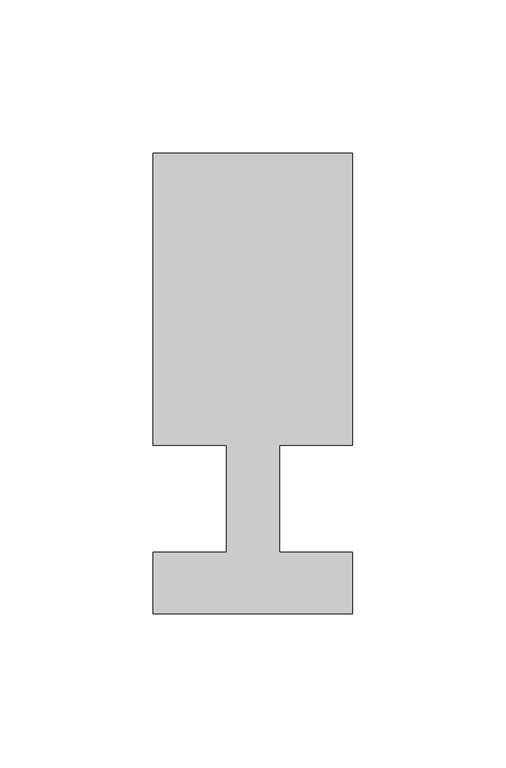
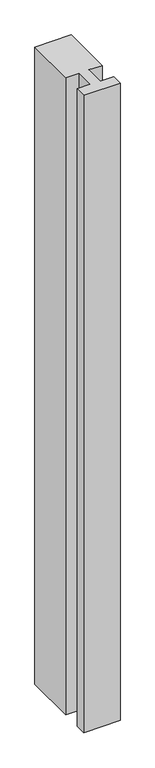
"""IFC4 building model written with IfcOpenShell, lengths in millimetres: member geometry."""

from ifc_helpers import new_model, si_unit, frame, origin, place, context, project, spatial, polyline, outline, extrude, source, transform, mapped, element, save


def member_7a5d141a(model_context):
    return source(origin(), model_context, "Body", "SweptSolid", [
        extrude(outline(polyline([(0.0, -37.0), (-65.0, -37.0), (-65.0, -17.0), (-41.1875, -17.0), (-41.1875, 18.0), (-65.0, 18.0), (-65.0, 113.0), (0.0, 113.0), (0.0, 18.0), (-23.8125, 18.0), (-23.8125, -17.0), (0.0, -17.0), (0.0, -37.0)])), frame((0.0, 0.0, -1200.0), z_axis=(0.0, 0.0, 1.0), x_axis=(1.0, 0.0, 0.0)), (0.0, 0.0, 1.0), 1200.0),
    ])


if __name__ == "__main__":
    model = new_model("IFC4")
    model_context = context("Model", 3, world=origin())
    ifc_project = project(units=[si_unit("LENGTHUNIT", "METRE", prefix="MILLI")], contexts=[model_context])
    site = spatial("IfcSite", under=ifc_project)
    building = spatial("IfcBuilding", under=site)
    placement = place(None, origin())
    member_shape = member_7a5d141a(model_context)
    element("IfcMember", 1, at=placement, inside=building, context=model_context, shape_type="MappedRepresentation", body=[
        mapped(member_shape, transform((0.0, 0.0, 0.0), x_axis=(1.0, 0.0, 0.0), y_axis=(0.0, 1.0, 0.0), z_axis=(0.0, 0.0, 1.0))),
    ])
    save(model, "model.ifc")
